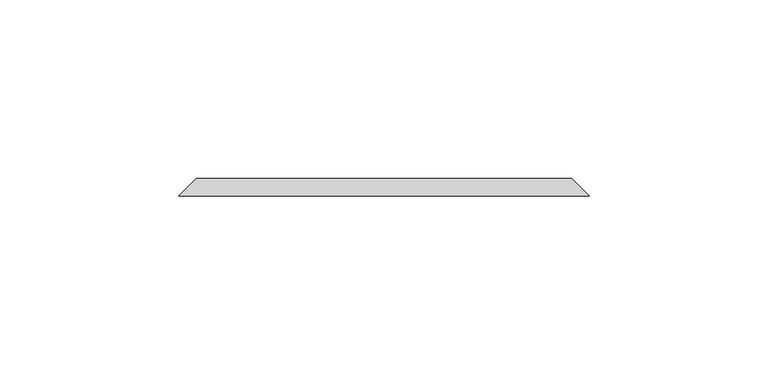
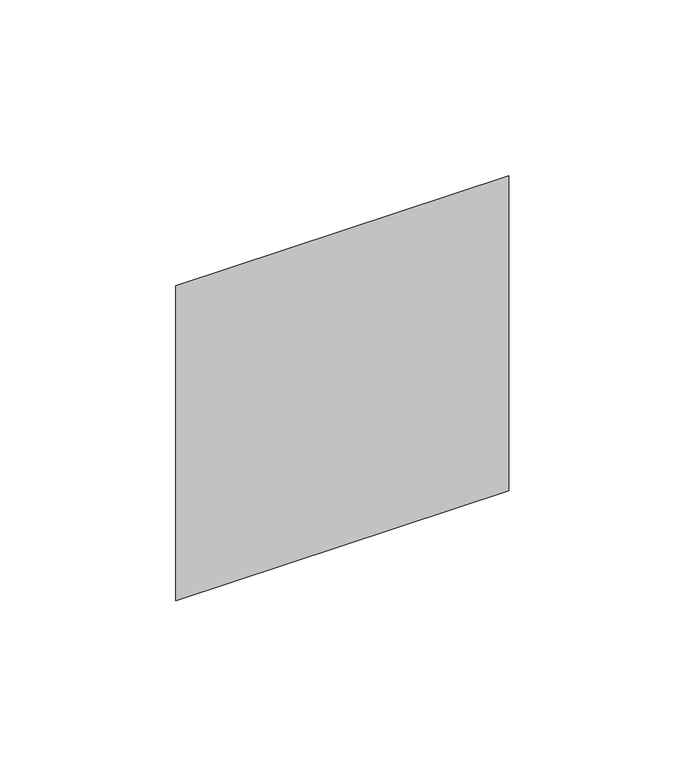
"""IFC4 building model written with IfcOpenShell, lengths in millimetres: proxy geometry."""

from ifc_helpers import new_model, si_unit, origin, place, context, project, spatial, faceted_brep, source, transform, mapped, element, save


def electrical_fixtures_4fb96782(model_context):
    return source(origin(), model_context, "Body", "Brep", [
        faceted_brep([(72.5, 67.0, 1252.5), (177.5, 67.0, 1252.5), (177.5, 67.0, 1147.5), (72.5, 67.0, 1147.5), (67.5, 62.0, 1257.5), (67.5, 62.0, 1142.5), (182.5, 62.0, 1142.5), (182.5, 62.0, 1257.5)], [[[0, 1, 2, 3]], [[4, 5, 6, 7]], [[4, 7, 1, 0]], [[7, 6, 2, 1]], [[6, 5, 3, 2]], [[5, 4, 0, 3]]]),
    ])


if __name__ == "__main__":
    model = new_model("IFC4")
    model_context = context("Model", 3, world=origin())
    ifc_project = project(units=[si_unit("LENGTHUNIT", "METRE", prefix="MILLI")], contexts=[model_context])
    site = spatial("IfcSite", under=ifc_project)
    building = spatial("IfcBuilding", under=site)
    placement = place(None, origin())
    electrical_fixtures_shape = electrical_fixtures_4fb96782(model_context)
    element("IfcBuildingElementProxy", 1, Name="Electrical Fixtures", at=placement, inside=building, context=model_context, shape_type="MappedRepresentation", body=[
        mapped(electrical_fixtures_shape, transform((0.0, 0.0, 0.0), x_axis=(1.0, 0.0, 0.0), y_axis=(0.0, 1.0, 0.0), z_axis=(0.0, 0.0, 1.0))),
    ])
    save(model, "model.ifc")
